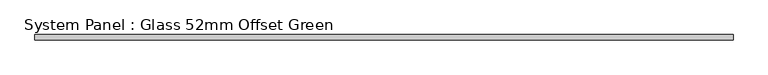
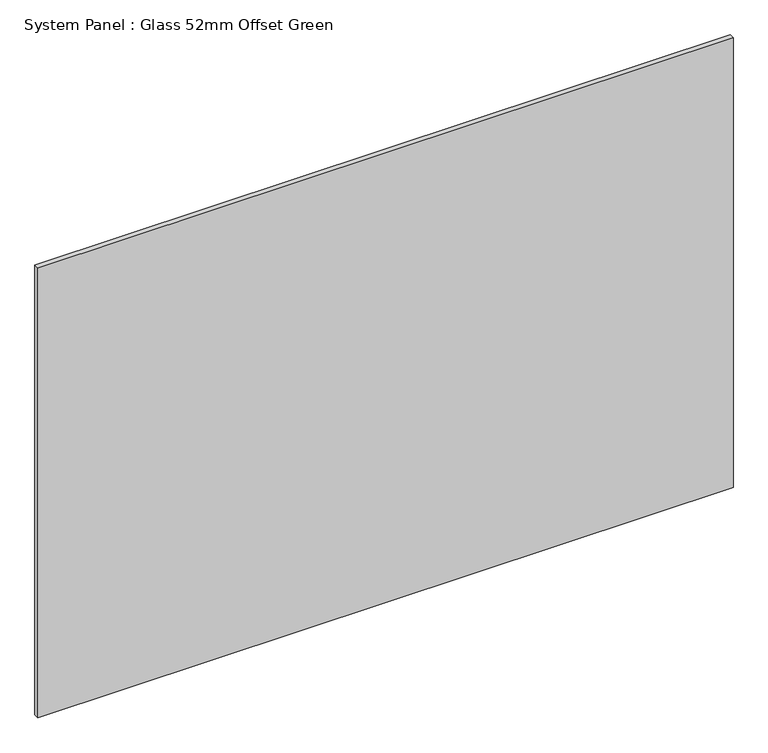
"""IFC4 building model written with IfcOpenShell, lengths in millimetres: plate geometry, System Panel : Glass 52mm Offset Green."""

from ifc_helpers import new_model, si_unit, origin, origin_with_axes, place, context, project, spatial, polyline, outline, extrude, source, transform, mapped, element, save


def system_panel_glass_52mm_offset_green_fef8f6de(model_context):
    return source(origin(), model_context, "Body", "SweptSolid", [
        extrude(outline(polyline([(673.2669, -57.0), (-673.2669, -57.0), (-673.2669, -47.0), (673.2669, -47.0), (673.2669, -57.0)])), origin_with_axes(), (0.0, 0.0, 1.0), 921.5045338),
    ])


if __name__ == "__main__":
    model = new_model("IFC4")
    model_context = context("Model", 3, world=origin())
    ifc_project = project(units=[si_unit("LENGTHUNIT", "METRE", prefix="MILLI")], contexts=[model_context])
    site = spatial("IfcSite", under=ifc_project)
    building = spatial("IfcBuilding", under=site)
    placement = place(None, origin())
    system_panel_glass_52mm_offset_green_shape = system_panel_glass_52mm_offset_green_fef8f6de(model_context)
    element("IfcPlate", 1, ObjectType="System Panel : Glass 52mm Offset Green", at=placement, inside=building, context=model_context, shape_type="MappedRepresentation", body=[
        mapped(system_panel_glass_52mm_offset_green_shape, transform((0.0, 0.0, 0.0), x_axis=(1.0, 0.0, 0.0), y_axis=(0.0, 1.0, 0.0), z_axis=(0.0, 0.0, 1.0))),
    ])
    save(model, "model.ifc")
